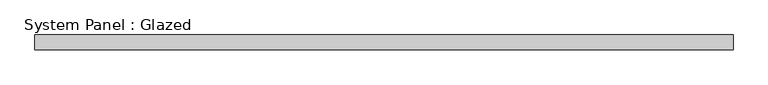
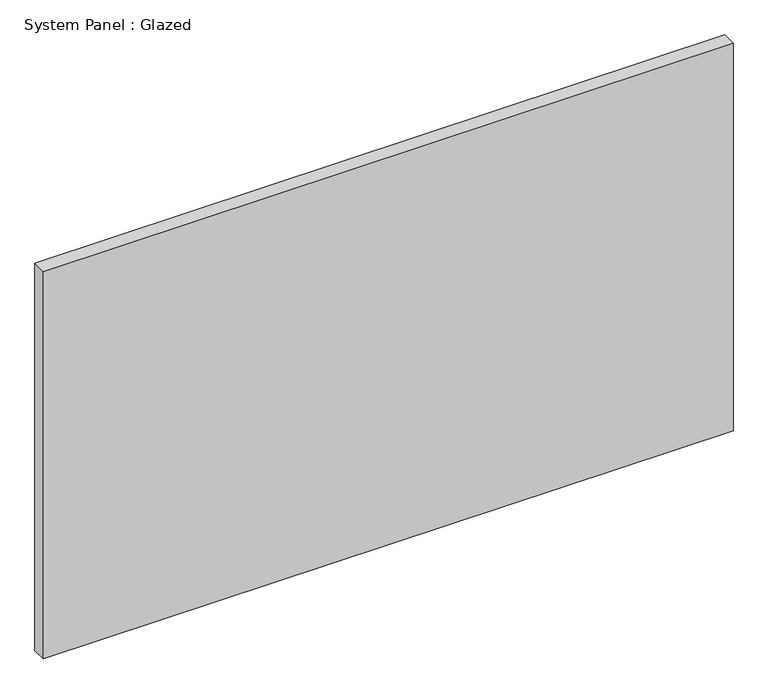
"""IFC4 building model written with IfcOpenShell, lengths in millimetres: plate geometry, System Panel : Glazed."""

from ifc_helpers import new_model, si_unit, origin, origin_with_axes, place, context, project, spatial, polyline, outline, extrude, source, transform, mapped, element, save


def system_panel_glazed_06fa1a7c(model_context):
    return source(origin(), model_context, "Body", "SweptSolid", [
        extrude(outline(polyline([(593.65, -44.45), (-593.65, -44.45), (-593.65, -19.05), (593.65, -19.05), (593.65, -44.45)])), origin_with_axes(), (0.0, 0.0, 1.0), 704.75),
    ])


if __name__ == "__main__":
    model = new_model("IFC4")
    model_context = context("Model", 3, world=origin())
    ifc_project = project(units=[si_unit("LENGTHUNIT", "METRE", prefix="MILLI")], contexts=[model_context])
    site = spatial("IfcSite", under=ifc_project)
    building = spatial("IfcBuilding", under=site)
    placement = place(None, origin())
    system_panel_glazed_shape = system_panel_glazed_06fa1a7c(model_context)
    element("IfcPlate", 1, ObjectType="System Panel : Glazed", at=placement, inside=building, context=model_context, shape_type="MappedRepresentation", body=[
        mapped(system_panel_glazed_shape, transform((0.0, 0.0, 0.0), x_axis=(1.0, 0.0, 0.0), y_axis=(0.0, 1.0, 0.0), z_axis=(0.0, 0.0, 1.0))),
    ])
    save(model, "model.ifc")
